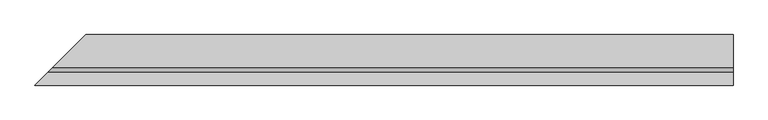
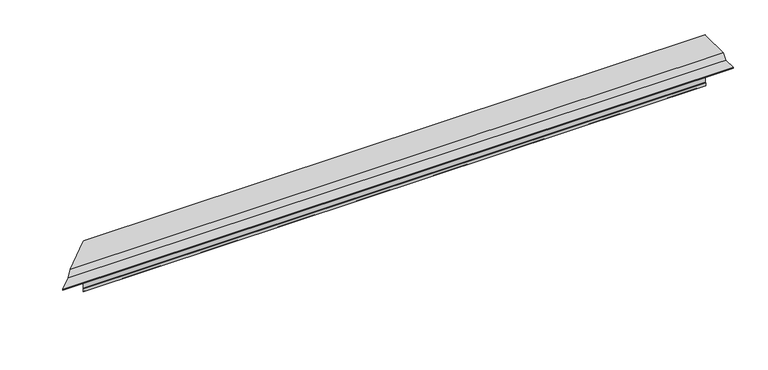
"""IFC4 building model written with IfcOpenShell, lengths in millimetres: proxy geometry."""

from ifc_helpers import new_model, si_unit, origin, place, context, project, spatial, faceted_brep, source, transform, mapped, element, save


def generic_models_d98619f6(model_context):
    return source(origin(), model_context, "Body", "Brep", [
        faceted_brep([(2.0, 2.0, -150.0), (5.0, 5.0, -150.0), (2000.0, 5.0, -150.0), (2000.0, 2.0, -150.0), (4.0, 4.0, -149.0), (3.0, 3.0, -149.0), (2000.0, 3.0, -149.0), (2000.0, 4.0, -149.0), (3.0, 3.0, -140.0), (2000.0, 3.0, -140.0), (2.0, 2.0, -140.0), (2000.0, 2.0, -140.0), (5.0, 5.0, 20.0), (0.0, 0.0, 20.0), (-96.0, -96.0, 20.0), (2000.0, -96.0, 20.0), (2000.0, 0.0, 20.0), (2000.0, 5.0, 20.0), (-111.0, -111.0, 5.0), (2000.0, -111.0, 5.0), (-151.0, -151.0, 5.0), (2000.0, -151.0, 5.0), (-151.0, -151.0, 2.0), (2000.0, -151.0, 2.0), (-141.0, -141.0, 2.0), (2000.0, -141.0, 2.0), (-141.0, -141.0, 3.0), (2000.0, -141.0, 3.0), (-150.0, -150.0, 3.0), (2000.0, -150.0, 3.0), (-150.0, -150.0, 4.0), (2000.0, -150.0, 4.0), (-110.5857864, -110.5857864, 4.0), (2000.0, -110.5857864, 4.0), (-95.5857864, -95.5857864, 19.0), (2000.0, -95.5857864, 19.0), (0.0, 0.0, 19.0), (4.0, 4.0, 19.0), (2000.0, 4.0, 19.0), (2000.0, 0.0, 19.0)], [[[0, 1, 2, 3]], [[4, 5, 6, 7]], [[5, 8, 9, 6]], [[8, 10, 11, 9]], [[10, 0, 3, 11]], [[12, 13, 14, 15, 16, 17]], [[14, 18, 19, 15]], [[18, 20, 21, 19]], [[20, 22, 23, 21]], [[22, 24, 25, 23]], [[24, 26, 27, 25]], [[26, 28, 29, 27]], [[28, 30, 31, 29]], [[30, 32, 33, 31]], [[32, 34, 35, 33]], [[36, 37, 38, 39, 35, 34]], [[37, 4, 7, 38]], [[1, 12, 17, 2]], [[36, 13, 12, 1, 0, 10, 8, 5, 4, 37]], [[13, 36, 34, 32, 30, 28, 26, 24, 22, 20, 18, 14]], [[16, 39, 38, 7, 6, 9, 11, 3, 2, 17]], [[39, 16, 15, 19, 21, 23, 25, 27, 29, 31, 33, 35]]]),
    ])


if __name__ == "__main__":
    model = new_model("IFC4")
    model_context = context("Model", 3, world=origin())
    ifc_project = project(units=[si_unit("LENGTHUNIT", "METRE", prefix="MILLI")], contexts=[model_context])
    site = spatial("IfcSite", under=ifc_project)
    building = spatial("IfcBuilding", under=site)
    placement = place(None, origin())
    generic_models_shape = generic_models_d98619f6(model_context)
    element("IfcBuildingElementProxy", 1, Name="Generic Models", at=placement, inside=building, context=model_context, shape_type="MappedRepresentation", body=[
        mapped(generic_models_shape, transform((0.0, 0.0, 0.0), x_axis=(1.0, 0.0, 0.0), y_axis=(0.0, 1.0, 0.0), z_axis=(0.0, 0.0, 1.0))),
    ])
    save(model, "model.ifc")
